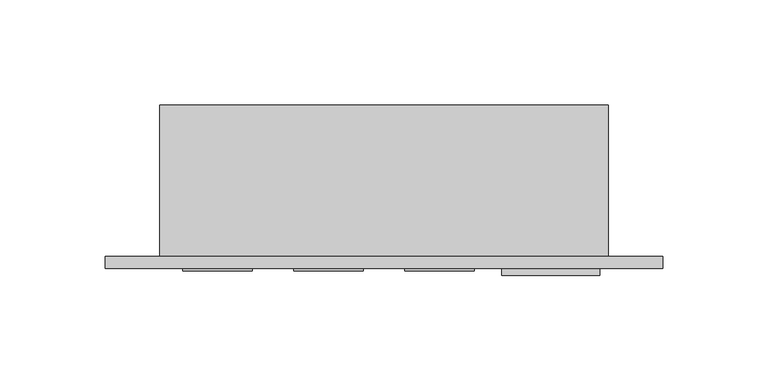
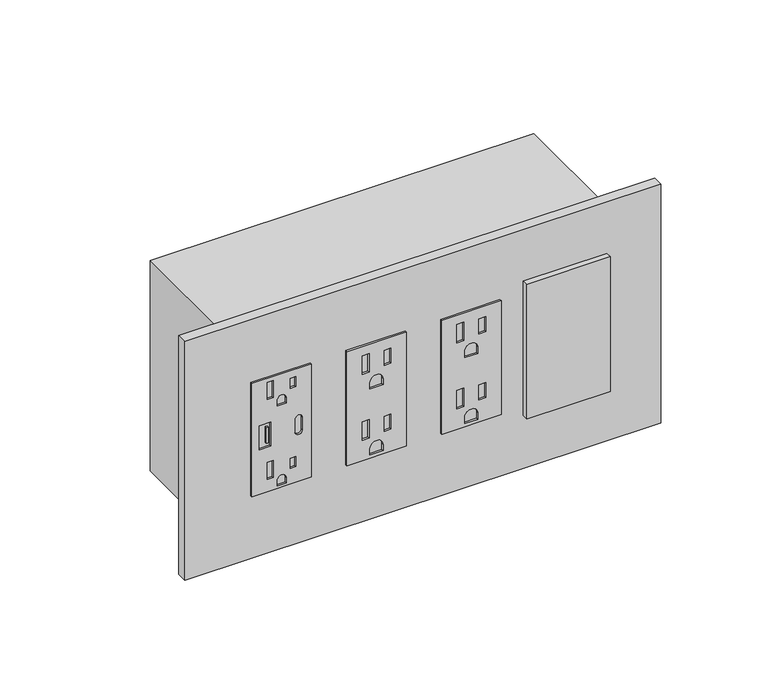
"""IFC4 building model written with IfcOpenShell, lengths in millimetres: proxy geometry."""

from ifc_helpers import new_model, si_unit, point, frame, frame_2d, origin, place, context, project, spatial, polyline, circle_curve, trimmed, segment, composite_curve, outline, extrude, source, transform, mapped, element, save


def electrical_fixtures_258e8735(model_context):
    return source(origin(), model_context, "Body", "SweptSolid", [
        extrude(outline(polyline([(414.274, 44.0944), (414.274, 11.0998), (347.726, 11.0998), (347.726, 44.0944), (414.274, 44.0944)]), holes=[polyline([(411.8356, 22.9616), (402.0080649, 22.9616), (402.0080649, 19.6342), (411.8356, 19.6342), (411.8356, 22.9616)]), polyline([(409.8301324, 35.41014), (404.0135324, 35.41014), (404.0135324, 32.4358), (409.8301324, 32.4358), (409.8301324, 35.41014)]), composite_curve([segment(polyline([(396.24, 30.0609), (396.24, 25.1333), (399.3388, 25.1333)]), True, "CONTINUOUS"), segment(trimmed(circle_curve(frame_2d((399.3388, 27.5971)), 2.4638), [point((399.3388, 25.1333))], [point((399.3388, 30.0609))], True, "CARTESIAN"), True, "CONTINUOUS"), segment(polyline([(399.3388, 30.0609), (396.24, 30.0609)]), True, "CONTINUOUS")], self_intersect=False), polyline([(364.8456, 22.9616), (355.0180649, 22.9616), (355.0180649, 19.6342), (364.8456, 19.6342), (364.8456, 22.9616)]), polyline([(362.8401324, 35.41014), (357.0235324, 35.41014), (357.0235324, 32.4358), (362.8401324, 32.4358), (362.8401324, 35.41014)]), composite_curve([segment(polyline([(349.25, 30.0609), (349.25, 25.1333), (352.3488, 25.1333)]), True, "CONTINUOUS"), segment(trimmed(circle_curve(frame_2d((352.3488, 27.5971)), 2.4638), [point((352.3488, 25.1333))], [point((352.3488, 30.0609))], True, "CARTESIAN"), True, "CONTINUOUS"), segment(polyline([(352.3488, 30.0609), (349.25, 30.0609)]), True, "CONTINUOUS")], self_intersect=False), polyline([(388.0485, 21.59), (373.9515, 21.59), (373.9515, 15.0876), (388.0485, 15.0876), (388.0485, 21.59)]), composite_curve([segment(trimmed(circle_curve(frame_2d((377.2154, 37.1348)), 1.905), [point((377.2154, 39.0398))], [point((377.2154, 35.2298))], True, "CARTESIAN"), True, "CONTINUOUS"), segment(polyline([(377.2154, 35.2298), (384.7846, 35.2298)]), True, "CONTINUOUS"), segment(trimmed(circle_curve(frame_2d((384.7846, 37.1348)), 1.905), [point((384.7846, 35.2298))], [point((384.7846, 39.0398))], True, "CARTESIAN"), True, "CONTINUOUS"), segment(polyline([(384.7846, 39.0398), (377.2154, 39.0398)]), True, "CONTINUOUS")], self_intersect=False)]), frame((0.0, -6.9294746, 0.0), z_axis=(0.0, 1.0, 0.0), x_axis=(0.0, 0.0, 1.0)), (0.0, 0.0, 1.0), 1.0366746),
        extrude(outline(polyline([(20.0803959, -6.9294746), (18.9613268, -6.9294746), (18.9613268, -5.8928), (20.0803959, -5.8928), (20.0803959, -6.9294746)])), frame((0.0, 0.0, 376.2998162), z_axis=(0.0, 0.0, 1.0), x_axis=(1.0, 0.0, 0.0)), (0.0, 0.0, 1.0), 9.2470447),
        extrude(outline(polyline([(414.4772, 149.4282), (414.4772, 116.4336), (347.5228, 116.4336), (347.5228, 149.4282), (414.4772, 149.4282)]), holes=[polyline([(409.0924, 128.778), (398.272, 128.778), (398.272, 124.9426), (409.0924, 124.9426), (409.0924, 128.778)]), polyline([(408.1145, 140.9446), (399.2499, 140.9446), (399.2499, 137.1092), (408.1145, 137.1092), (408.1145, 140.9446)]), composite_curve([segment(polyline([(388.0866, 136.5631), (388.0866, 129.2987), (391.7188, 129.2987)]), True, "CONTINUOUS"), segment(trimmed(circle_curve(frame_2d((391.7188, 132.9309)), 3.6322), [point((391.7188, 129.2987))], [point((391.7188, 136.5631))], True, "CARTESIAN"), True, "CONTINUOUS"), segment(polyline([(391.7188, 136.5631), (388.0866, 136.5631)]), True, "CONTINUOUS")], self_intersect=False), polyline([(370.3574, 128.778), (359.537, 128.778), (359.537, 124.9426), (370.3574, 124.9426), (370.3574, 128.778)]), polyline([(369.3795, 140.9446), (360.5149, 140.9446), (360.5149, 137.1092), (369.3795, 137.1092), (369.3795, 140.9446)]), composite_curve([segment(polyline([(349.3516, 136.5631), (349.3516, 129.2987), (352.9838, 129.2987)]), True, "CONTINUOUS"), segment(trimmed(circle_curve(frame_2d((352.9838, 132.9309)), 3.6322), [point((352.9838, 129.2987))], [point((352.9838, 136.5631))], True, "CARTESIAN"), True, "CONTINUOUS"), segment(polyline([(352.9838, 136.5631), (349.3516, 136.5631)]), True, "CONTINUOUS")], self_intersect=False)]), frame((0.0, -6.9294746, 0.0), z_axis=(0.0, 1.0, 0.0), x_axis=(0.0, 0.0, 1.0)), (0.0, 0.0, 1.0), 1.0366746),
        extrude(outline(polyline([(414.4772, 96.7613), (414.4772, 63.7667), (347.5228, 63.7667), (347.5228, 96.7613), (414.4772, 96.7613)]), holes=[polyline([(409.0924, 76.1111), (398.272, 76.1111), (398.272, 72.2757), (409.0924, 72.2757), (409.0924, 76.1111)]), polyline([(408.1145, 88.2777), (399.2499, 88.2777), (399.2499, 84.4423), (408.1145, 84.4423), (408.1145, 88.2777)]), composite_curve([segment(polyline([(388.0866, 83.8962), (388.0866, 76.6318), (391.7188, 76.6318)]), True, "CONTINUOUS"), segment(trimmed(circle_curve(frame_2d((391.7188, 80.264)), 3.6322), [point((391.7188, 76.6318))], [point((391.7188, 83.8962))], True, "CARTESIAN"), True, "CONTINUOUS"), segment(polyline([(391.7188, 83.8962), (388.0866, 83.8962)]), True, "CONTINUOUS")], self_intersect=False), polyline([(370.3574, 76.1111), (359.537, 76.1111), (359.537, 72.2757), (370.3574, 72.2757), (370.3574, 76.1111)]), polyline([(369.3795, 88.2777), (360.5149, 88.2777), (360.5149, 84.4423), (369.3795, 84.4423), (369.3795, 88.2777)]), composite_curve([segment(polyline([(349.3516, 83.8962), (349.3516, 76.6318), (352.9838, 76.6318)]), True, "CONTINUOUS"), segment(trimmed(circle_curve(frame_2d((352.9838, 80.264)), 3.6322), [point((352.9838, 76.6318))], [point((352.9838, 83.8962))], True, "CARTESIAN"), True, "CONTINUOUS"), segment(polyline([(352.9838, 83.8962), (349.3516, 83.8962)]), True, "CONTINUOUS")], self_intersect=False)]), frame((0.0, -6.9294746, 0.0), z_axis=(0.0, 1.0, 0.0), x_axis=(0.0, 0.0, 1.0)), (0.0, 0.0, 1.0), 1.0366746),
        extrude(outline(polyline([(162.3314, -5.8928), (208.8642, -5.8928), (208.8642, -9.0678), (162.3314, -9.0678), (162.3314, -5.8928)])), frame((0.0, 0.0, 341.7922742), z_axis=(0.0, 0.0, 1.0), x_axis=(1.0, 0.0, 0.0)), (0.0, 0.0, 1.0), 79.0448),
        extrude(outline(polyline([(-25.6794, 0.0), (238.7092, 0.0), (238.7092, -5.8928), (-25.6794, -5.8928), (-25.6794, 0.0)])), frame((0.0, 0.0, 310.8198), z_axis=(0.0, 0.0, 1.0), x_axis=(1.0, 0.0, 0.0)), (0.0, 0.0, 1.0), 140.3604),
        extrude(outline(polyline([(213.0298, 0.0), (0.0, 0.0), (0.0, 71.7296), (213.0298, 71.7296), (213.0298, 0.0)])), frame((0.0, 0.0, 319.2526), z_axis=(0.0, 0.0, 1.0), x_axis=(1.0, 0.0, 0.0)), (0.0, 0.0, 1.0), 123.4948),
    ])


if __name__ == "__main__":
    model = new_model("IFC4")
    model_context = context("Model", 3, world=origin())
    ifc_project = project(units=[si_unit("LENGTHUNIT", "METRE", prefix="MILLI")], contexts=[model_context])
    site = spatial("IfcSite", under=ifc_project)
    building = spatial("IfcBuilding", under=site)
    placement = place(None, origin())
    electrical_fixtures_shape = electrical_fixtures_258e8735(model_context)
    element("IfcBuildingElementProxy", 1, Name="Electrical Fixtures", at=placement, inside=building, context=model_context, shape_type="MappedRepresentation", body=[
        mapped(electrical_fixtures_shape, transform((0.0, 0.0, 0.0), x_axis=(1.0, 0.0, 0.0), y_axis=(0.0, 1.0, 0.0), z_axis=(0.0, 0.0, 1.0))),
    ])
    save(model, "model.ifc")
